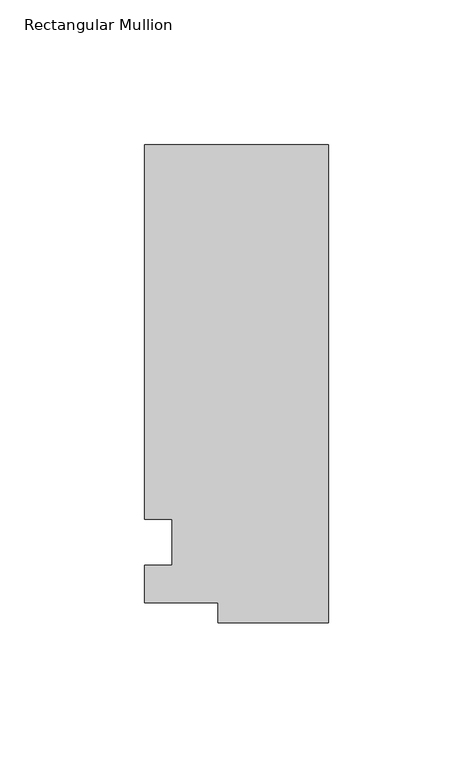
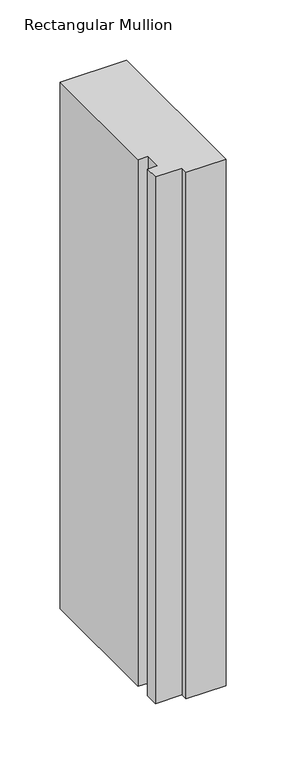
"""IFC4 building model written with IfcOpenShell, lengths in millimetres: member geometry, Rectangular Mullion."""

from ifc_helpers import new_model, si_unit, frame, origin, place, context, project, spatial, polyline, outline, extrude, source, transform, mapped, element, save


def rectangular_mullion_a358cff8(model_context):
    return source(origin(), model_context, "Body", "SweptSolid", [
        extrude(outline(polyline([(-38.1, -32.54375), (-38.1, -25.58415), (-63.5, -25.58415), (-63.5, -12.7), (-53.975, -12.7), (-53.975, 3.175), (-63.5, 3.175), (-63.5, 132.55625), (0.0, 132.55625), (0.0, -32.54375), (-38.1, -32.54375)])), frame((0.0, 0.0, -533.4), z_axis=(0.0, 0.0, 1.0), x_axis=(1.0, 0.0, 0.0)), (0.0, 0.0, 1.0), 533.4),
    ])


if __name__ == "__main__":
    model = new_model("IFC4")
    model_context = context("Model", 3, world=origin())
    ifc_project = project(units=[si_unit("LENGTHUNIT", "METRE", prefix="MILLI")], contexts=[model_context])
    site = spatial("IfcSite", under=ifc_project)
    building = spatial("IfcBuilding", under=site)
    placement = place(None, origin())
    rectangular_mullion_shape = rectangular_mullion_a358cff8(model_context)
    element("IfcMember", 1, ObjectType="Rectangular Mullion", at=placement, inside=building, context=model_context, shape_type="MappedRepresentation", body=[
        mapped(rectangular_mullion_shape, transform((0.0, 0.0, 0.0), x_axis=(1.0, 0.0, 0.0), y_axis=(0.0, 1.0, 0.0), z_axis=(0.0, 0.0, 1.0))),
    ])
    save(model, "model.ifc")
